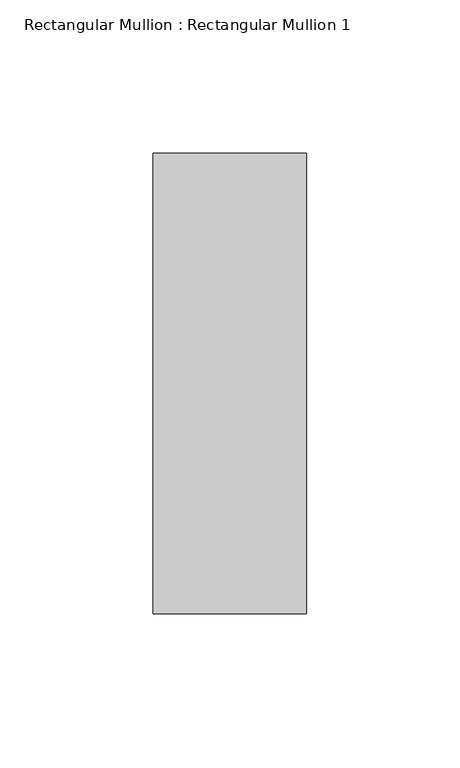
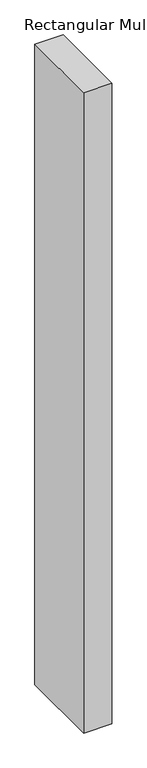
"""IFC4 building model written with IfcOpenShell, lengths in millimetres: member geometry, Rectangular Mullion : Rectangular Mullion 1."""

import ifcopenshell
import ifcopenshell.guid

model = None  # the IFC model being written
_history = None  # IfcOwnerHistory: only IFC2X3 demands one
_inside = {}  # id of a spatial element -> (the spatial element, [elements in it])
_under = {}  # id of a project, library or spatial element -> (it, [spatial elements below it])
_declared = {}  # id of a project -> (the project, [libraries it declares])
_typed = {}  # id of a type object -> (the type object, [elements of that type])
_made_of = {}  # id of a material, layer set ... -> (it, [elements and type objects made of it])


def new_model(schema):
    """Start an empty IFC model of exactly this schema.

    Asked for "IFC4X3", IfcOpenShell would pick the latest addendum, in which some entities
    have other attributes; the version numbers below select the first issue.
    IFC2X3 requires an IfcOwnerHistory on every rooted entity: one is made here for all.
    """
    global model, _history
    if schema == "IFC4X3":
        model = ifcopenshell.file(schema_version=(4, 3, 0, 0))
    else:
        model = ifcopenshell.file(schema=schema)
    _inside.clear()
    _under.clear()
    _declared.clear()
    _typed.clear()
    _made_of.clear()
    _history = None
    if model.schema == "IFC2X3":
        org = make("IfcOrganization", Name="unknown")
        user = make(
            "IfcPersonAndOrganization",
            ThePerson=make("IfcPerson", FamilyName="unknown"),
            TheOrganization=org,
        )
        app = make(
            "IfcApplication",
            ApplicationDeveloper=org,
            Version="unknown",
            ApplicationFullName="unknown",
            ApplicationIdentifier="unknown",
        )
        _history = make(
            "IfcOwnerHistory",
            OwningUser=user,
            OwningApplication=app,
            ChangeAction="ADDED",
            CreationDate=0,
        )
    return model


def make(cls, **values):
    """One entity of the class cls with the attributes given. An attribute that is None is left unset."""
    return model.create_entity(
        cls, **{name: value for name, value in values.items() if value is not None}
    )


def rooted(cls, **values):
    """An entity with a GlobalId (a new one), such as an element, a storey or a relation."""
    return make(cls, GlobalId=ifcopenshell.guid.new(), OwnerHistory=_history, **values)


def si_unit(unit_type, name, prefix=None):
    """IfcSIUnit, for example si_unit("LENGTHUNIT", "METRE", prefix="MILLI")."""
    return make("IfcSIUnit", UnitType=unit_type, Prefix=prefix, Name=name)


def assignment(units):
    """IfcUnitAssignment: the units of a project."""
    return None if units is None else make("IfcUnitAssignment", Units=units)


def point(xyz):
    """IfcCartesianPoint."""
    return None if xyz is None else make("IfcCartesianPoint", Coordinates=xyz)


def direction(xyz):
    """IfcDirection."""
    return None if xyz is None else make("IfcDirection", DirectionRatios=xyz)


def frame(location, z_axis=None, x_axis=None):
    """IfcAxis2Placement3D, a coordinate frame: its origin and axes. An axis left out is left unset."""
    return make(
        "IfcAxis2Placement3D",
        Location=point(location),
        Axis=direction(z_axis),
        RefDirection=direction(x_axis),
    )


def origin():
    """The frame at (0, 0, 0) with its axes left unset."""
    return frame((0.0, 0.0, 0.0))


def place(relative_to, where):
    """IfcLocalPlacement: puts the frame where relative to a parent placement (None: the world)."""
    return make(
        "IfcLocalPlacement", PlacementRelTo=relative_to, RelativePlacement=where
    )


def context(
    kind, dimensions, precision=None, world=None, true_north=None, identifier=None
):
    """IfcGeometricRepresentationContext, for example the 3D "Model" context."""
    return make(
        "IfcGeometricRepresentationContext",
        ContextIdentifier=identifier,
        ContextType=kind,
        CoordinateSpaceDimension=dimensions,
        Precision=precision,
        WorldCoordinateSystem=world,
        TrueNorth=true_north,
    )


def project(units=None, contexts=None):
    """IfcProject with its units and contexts."""
    return rooted(
        "IfcProject",
        Name="project",
        RepresentationContexts=contexts,
        UnitsInContext=assignment(units),
    )


def spatial(cls, under=None, at=None, **own):
    """A site, building, storey or space (cls), placed at a placement, below another one or the project."""
    s = rooted(cls, ObjectPlacement=at, **own)
    if under is not None:
        _under.setdefault(under.id(), (under, []))[1].append(s)
    return s


def polyline(points):
    """IfcPolyline through the points."""
    return make("IfcPolyline", Points=[point(p) for p in points])


def outline(outer, holes=None, kind="AREA"):
    """IfcArbitraryClosedProfileDef: a profile drawn as a closed curve; with holes, ...WithVoids."""
    if holes is None:
        return make("IfcArbitraryClosedProfileDef", ProfileType=kind, OuterCurve=outer)
    return make(
        "IfcArbitraryProfileDefWithVoids",
        ProfileType=kind,
        OuterCurve=outer,
        InnerCurves=holes,
    )


def extrude(swept, where, along, depth):
    """IfcExtrudedAreaSolid: the profile swept, set in the frame where, extruded along a direction by depth."""
    return make(
        "IfcExtrudedAreaSolid",
        SweptArea=swept,
        Position=where,
        ExtrudedDirection=direction(along),
        Depth=depth,
    )


def shape(context_of_items, identifier, shape_type, items):
    """IfcShapeRepresentation: the items that make up one representation, for example the "Body"."""
    return make(
        "IfcShapeRepresentation",
        ContextOfItems=context_of_items,
        RepresentationIdentifier=identifier,
        RepresentationType=shape_type,
        Items=items,
    )


def source(mapping_origin, context_of_items, identifier, shape_type, items):
    """IfcRepresentationMap: a shape defined once, which mapped items show again and again."""
    return make(
        "IfcRepresentationMap",
        MappingOrigin=mapping_origin,
        MappedRepresentation=shape(context_of_items, identifier, shape_type, items),
    )


def transform(
    local_origin,
    x_axis=None,
    y_axis=None,
    z_axis=None,
    scale=None,
    scale2=None,
    scale3=None,
    uniform=True,
):
    """IfcCartesianTransformationOperator3D, or its non-uniform kind. x_axis, y_axis, z_axis: its Axis1, 2, 3."""
    if uniform:
        return make(
            "IfcCartesianTransformationOperator3D",
            Axis1=direction(x_axis),
            Axis2=direction(y_axis),
            LocalOrigin=point(local_origin),
            Scale=scale,
            Axis3=direction(z_axis),
        )
    return make(
        "IfcCartesianTransformationOperator3DnonUniform",
        Axis1=direction(x_axis),
        Axis2=direction(y_axis),
        LocalOrigin=point(local_origin),
        Scale=scale,
        Axis3=direction(z_axis),
        Scale2=scale2,
        Scale3=scale3,
    )


def mapped(mapping_source, mapping_target):
    """IfcMappedItem: shows the shape of a source again, moved by a transform."""
    return make(
        "IfcMappedItem", MappingSource=mapping_source, MappingTarget=mapping_target
    )


def made_of(thing, what):
    """Note that an element or type object is made of a material, layer set ...; save() writes the relation."""
    if what is not None:
        _made_of.setdefault(what.id(), (what, []))[1].append(thing)
    return thing


def element(
    cls,
    number,
    at=None,
    inside=None,
    cuts=None,
    type_object=None,
    material=None,
    context=None,
    identifier="Body",
    shape_type=None,
    held_by="IfcProductDefinitionShape",
    body=None,
    shapes=None,
    **own,
):
    """One element of the class cls, such as IfcWall. Its Tag is "e" and its number.

    at: its placement. inside: the storey or other place that contains it. cuts: it is an
    opening in that element (IfcRelVoidsElement). A single representation is given by context,
    identifier, shape_type and body (its items); several are given by shapes. held_by: the class
    of the entity that holds the representations. save() writes the other relations.
    """
    e = rooted(cls, Tag="e%d" % number, ObjectPlacement=at, **own)
    if body is not None:
        shapes = [shape(context, identifier, shape_type, body)]
    if shapes is not None:
        e.Representation = make(held_by, Representations=shapes)
    if inside is not None:
        _inside.setdefault(inside.id(), (inside, []))[1].append(e)
    if cuts is not None:
        rooted(
            "IfcRelVoidsElement", RelatingBuildingElement=cuts, RelatedOpeningElement=e
        )
    if type_object is not None:
        _typed.setdefault(type_object.id(), (type_object, []))[1].append(e)
    return made_of(e, material)


def aggregate(whole, parts):
    """IfcRelAggregates: a whole, such as a stair, and the parts it consists of."""
    return rooted("IfcRelAggregates", RelatingObject=whole, RelatedObjects=parts)


def save(model, path):
    """Write the relations noted so far, then the file.

    IfcRelAggregates (storeys below a building ...), IfcRelContainedInSpatialStructure (elements
    in a storey), IfcRelDefinesByType, IfcRelAssociatesMaterial and IfcRelDeclares: one each for
    every whole, place, type object, material and project.
    """
    for whole, parts in _under.values():
        aggregate(whole, parts)
    for where, things in _inside.values():
        rooted(
            "IfcRelContainedInSpatialStructure",
            RelatedElements=things,
            RelatingStructure=where,
        )
    for kind, things in _typed.values():
        rooted("IfcRelDefinesByType", RelatedObjects=things, RelatingType=kind)
    for what, things in _made_of.values():
        rooted("IfcRelAssociatesMaterial", RelatedObjects=things, RelatingMaterial=what)
    for by, libraries in _declared.values():
        rooted("IfcRelDeclares", RelatingContext=by, RelatedDefinitions=libraries)
    model.write(path)


def rectangular_mullion_rectangular_mullion_1_d99dc9be(model_context):
    return source(origin(), model_context, "Body", "SweptSolid", [
        extrude(outline(polyline([(25.0, 75.0), (25.0, -75.0), (-25.0, -75.0), (-25.0, 75.0), (25.0, 75.0)])), frame((0.0, 0.0, -1200.0), z_axis=(0.0, 0.0, 1.0), x_axis=(1.0, 0.0, 0.0)), (0.0, 0.0, 1.0), 1200.0),
    ])


if __name__ == "__main__":
    model = new_model("IFC4")
    model_context = context("Model", 3, world=origin())
    ifc_project = project(units=[si_unit("LENGTHUNIT", "METRE", prefix="MILLI")], contexts=[model_context])
    site = spatial("IfcSite", under=ifc_project)
    building = spatial("IfcBuilding", under=site)
    placement = place(None, origin())
    rectangular_mullion_rectangular_mullion_1_shape = rectangular_mullion_rectangular_mullion_1_d99dc9be(model_context)
    element("IfcMember", 1, ObjectType="Rectangular Mullion : Rectangular Mullion 1", at=placement, inside=building, context=model_context, shape_type="MappedRepresentation", body=[
        mapped(rectangular_mullion_rectangular_mullion_1_shape, transform((0.0, 0.0, 0.0), x_axis=(1.0, 0.0, 0.0), y_axis=(0.0, 1.0, 0.0), z_axis=(0.0, 0.0, 1.0))),
    ])
    save(model, "model.ifc")
